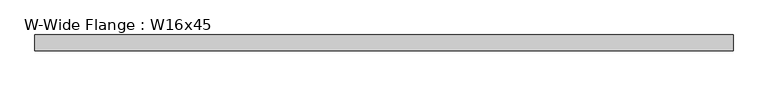
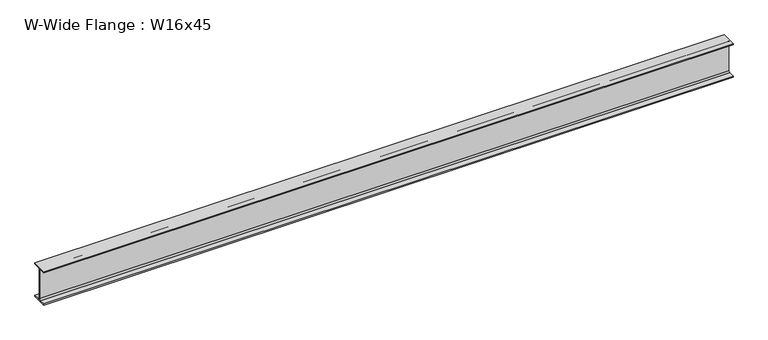
"""IFC4 building model written with IfcOpenShell, lengths in millimetres: beam geometry, W-Wide Flange : W16x45."""

from ifc_helpers import new_model, si_unit, point, frame, frame_2d, origin, place, context, project, spatial, polyline, circle_curve, trimmed, segment, composite_curve, outline, extrude, source, transform, mapped, element, save


def w_wide_flange_w16x45_b6d8872f(model_context):
    return source(origin(), model_context, "Body", "SweptSolid", [
        extrude(outline(composite_curve([segment(polyline([(89.408, -190.119), (89.408, -204.47), (-89.408, -204.47), (-89.408, -190.119), (-21.7805, -190.119)]), True, "CONTINUOUS"), segment(trimmed(circle_curve(frame_2d((-21.7805, -172.72)), 17.399), [point((-21.7805, -190.119))], [point((-4.3815, -172.72))], True, "CARTESIAN"), True, "CONTINUOUS"), segment(polyline([(-4.3815, -172.72), (-4.3815, 172.72)]), True, "CONTINUOUS"), segment(trimmed(circle_curve(frame_2d((-21.7805, 172.72)), 17.399), [point((-4.3815, 172.72))], [point((-21.7805, 190.119))], True, "CARTESIAN"), True, "CONTINUOUS"), segment(polyline([(-21.7805, 190.119), (-89.408, 190.119), (-89.408, 204.47), (89.408, 204.47), (89.408, 190.119), (21.7805, 190.119)]), True, "CONTINUOUS"), segment(trimmed(circle_curve(frame_2d((21.7805, 172.72)), 17.399), [point((21.7805, 190.119))], [point((4.3815, 172.72))], True, "CARTESIAN"), True, "CONTINUOUS"), segment(polyline([(4.3815, 172.72), (4.3815, -172.72)]), True, "CONTINUOUS"), segment(trimmed(circle_curve(frame_2d((21.7805, -172.72)), 17.399), [point((4.3815, -172.72))], [point((21.7805, -190.119))], True, "CARTESIAN"), True, "CONTINUOUS"), segment(polyline([(21.7805, -190.119), (89.408, -190.119)]), True, "CONTINUOUS")], self_intersect=False)), frame((-4000.1035835, 0.0, 0.0), z_axis=(1.0, 0.0, 0.0), x_axis=(0.0, 1.0, 0.0)), (0.0, 0.0, 1.0), 7950.2),
    ])


if __name__ == "__main__":
    model = new_model("IFC4")
    model_context = context("Model", 3, world=origin())
    ifc_project = project(units=[si_unit("LENGTHUNIT", "METRE", prefix="MILLI")], contexts=[model_context])
    site = spatial("IfcSite", under=ifc_project)
    building = spatial("IfcBuilding", under=site)
    placement = place(None, origin())
    w_wide_flange_w16x45_shape = w_wide_flange_w16x45_b6d8872f(model_context)
    element("IfcBeam", 1, ObjectType="W-Wide Flange : W16x45", at=placement, inside=building, context=model_context, shape_type="MappedRepresentation", body=[
        mapped(w_wide_flange_w16x45_shape, transform((0.0, 0.0, 0.0), x_axis=(1.0, 0.0, 0.0), y_axis=(0.0, 1.0, 0.0), z_axis=(0.0, 0.0, 1.0))),
    ])
    save(model, "model.ifc")
